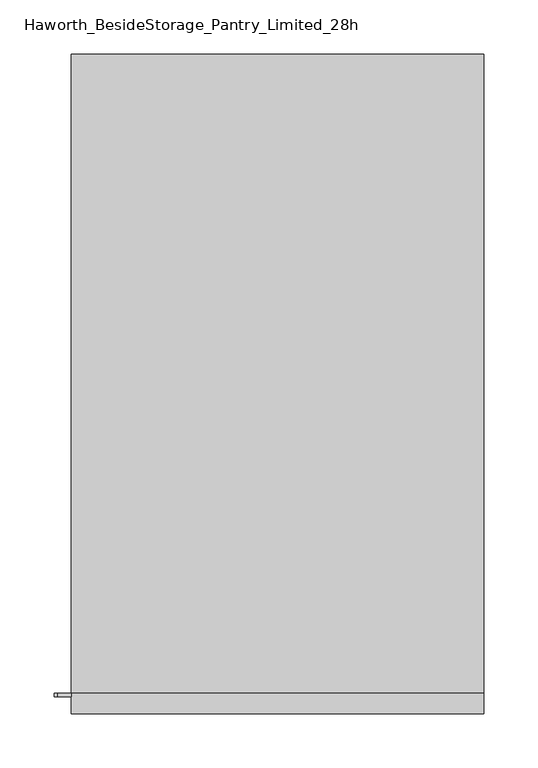
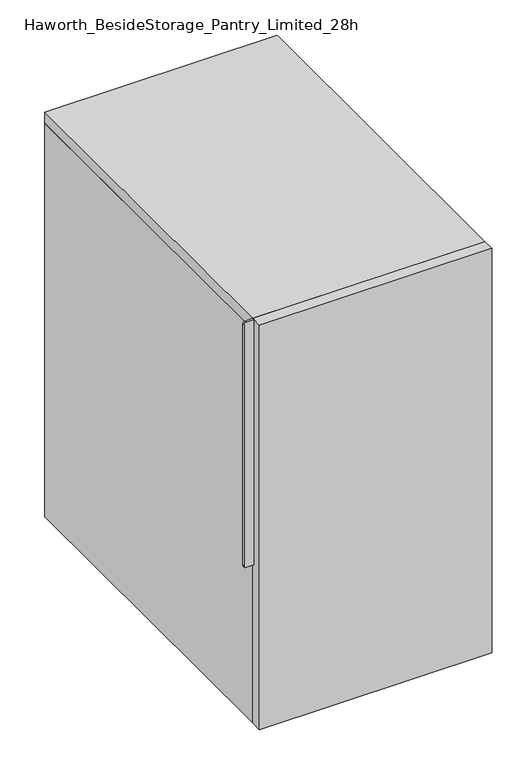
"""IFC4 building model written with IfcOpenShell, lengths in millimetres: furniture geometry, Haworth_BesideStorage_Pantry_Limited_28h."""

import ifcopenshell
import ifcopenshell.guid

model = None  # the IFC model being written
_history = None  # IfcOwnerHistory: only IFC2X3 demands one
_inside = {}  # id of a spatial element -> (the spatial element, [elements in it])
_under = {}  # id of a project, library or spatial element -> (it, [spatial elements below it])
_declared = {}  # id of a project -> (the project, [libraries it declares])
_typed = {}  # id of a type object -> (the type object, [elements of that type])
_made_of = {}  # id of a material, layer set ... -> (it, [elements and type objects made of it])


def new_model(schema):
    """Start an empty IFC model of exactly this schema.

    Asked for "IFC4X3", IfcOpenShell would pick the latest addendum, in which some entities
    have other attributes; the version numbers below select the first issue.
    IFC2X3 requires an IfcOwnerHistory on every rooted entity: one is made here for all.
    """
    global model, _history
    if schema == "IFC4X3":
        model = ifcopenshell.file(schema_version=(4, 3, 0, 0))
    else:
        model = ifcopenshell.file(schema=schema)
    _inside.clear()
    _under.clear()
    _declared.clear()
    _typed.clear()
    _made_of.clear()
    _history = None
    if model.schema == "IFC2X3":
        org = make("IfcOrganization", Name="unknown")
        user = make(
            "IfcPersonAndOrganization",
            ThePerson=make("IfcPerson", FamilyName="unknown"),
            TheOrganization=org,
        )
        app = make(
            "IfcApplication",
            ApplicationDeveloper=org,
            Version="unknown",
            ApplicationFullName="unknown",
            ApplicationIdentifier="unknown",
        )
        _history = make(
            "IfcOwnerHistory",
            OwningUser=user,
            OwningApplication=app,
            ChangeAction="ADDED",
            CreationDate=0,
        )
    return model


def make(cls, **values):
    """One entity of the class cls with the attributes given. An attribute that is None is left unset."""
    return model.create_entity(
        cls, **{name: value for name, value in values.items() if value is not None}
    )


def rooted(cls, **values):
    """An entity with a GlobalId (a new one), such as an element, a storey or a relation."""
    return make(cls, GlobalId=ifcopenshell.guid.new(), OwnerHistory=_history, **values)


def si_unit(unit_type, name, prefix=None):
    """IfcSIUnit, for example si_unit("LENGTHUNIT", "METRE", prefix="MILLI")."""
    return make("IfcSIUnit", UnitType=unit_type, Prefix=prefix, Name=name)


def assignment(units):
    """IfcUnitAssignment: the units of a project."""
    return None if units is None else make("IfcUnitAssignment", Units=units)


def point(xyz):
    """IfcCartesianPoint."""
    return None if xyz is None else make("IfcCartesianPoint", Coordinates=xyz)


def direction(xyz):
    """IfcDirection."""
    return None if xyz is None else make("IfcDirection", DirectionRatios=xyz)


def frame(location, z_axis=None, x_axis=None):
    """IfcAxis2Placement3D, a coordinate frame: its origin and axes. An axis left out is left unset."""
    return make(
        "IfcAxis2Placement3D",
        Location=point(location),
        Axis=direction(z_axis),
        RefDirection=direction(x_axis),
    )


def frame_2d(location, x_axis=None):
    """IfcAxis2Placement2D, a coordinate frame in the plane: its origin and x axis."""
    return make(
        "IfcAxis2Placement2D", Location=point(location), RefDirection=direction(x_axis)
    )


def origin():
    """The frame at (0, 0, 0) with its axes left unset."""
    return frame((0.0, 0.0, 0.0))


def place(relative_to, where):
    """IfcLocalPlacement: puts the frame where relative to a parent placement (None: the world)."""
    return make(
        "IfcLocalPlacement", PlacementRelTo=relative_to, RelativePlacement=where
    )


def context(
    kind, dimensions, precision=None, world=None, true_north=None, identifier=None
):
    """IfcGeometricRepresentationContext, for example the 3D "Model" context."""
    return make(
        "IfcGeometricRepresentationContext",
        ContextIdentifier=identifier,
        ContextType=kind,
        CoordinateSpaceDimension=dimensions,
        Precision=precision,
        WorldCoordinateSystem=world,
        TrueNorth=true_north,
    )


def project(units=None, contexts=None):
    """IfcProject with its units and contexts."""
    return rooted(
        "IfcProject",
        Name="project",
        RepresentationContexts=contexts,
        UnitsInContext=assignment(units),
    )


def spatial(cls, under=None, at=None, **own):
    """A site, building, storey or space (cls), placed at a placement, below another one or the project."""
    s = rooted(cls, ObjectPlacement=at, **own)
    if under is not None:
        _under.setdefault(under.id(), (under, []))[1].append(s)
    return s


def polyline(points):
    """IfcPolyline through the points."""
    return make("IfcPolyline", Points=[point(p) for p in points])


def circle_curve(where, radius):
    """IfcCircle in the frame where."""
    return make("IfcCircle", Position=where, Radius=radius)


def trimmed(basis, trim1, trim2, sense, master):
    """IfcTrimmedCurve: the piece of a basis curve between two trims."""
    return make(
        "IfcTrimmedCurve",
        BasisCurve=basis,
        Trim1=trim1,
        Trim2=trim2,
        SenseAgreement=sense,
        MasterRepresentation=master,
    )


def segment(curve, same_sense, transition):
    """IfcCompositeCurveSegment."""
    return make(
        "IfcCompositeCurveSegment",
        Transition=transition,
        SameSense=same_sense,
        ParentCurve=curve,
    )


def composite_curve(segments, self_intersect=None):
    """IfcCompositeCurve: segments joined end to end."""
    return make("IfcCompositeCurve", Segments=segments, SelfIntersect=self_intersect)


def outline(outer, holes=None, kind="AREA"):
    """IfcArbitraryClosedProfileDef: a profile drawn as a closed curve; with holes, ...WithVoids."""
    if holes is None:
        return make("IfcArbitraryClosedProfileDef", ProfileType=kind, OuterCurve=outer)
    return make(
        "IfcArbitraryProfileDefWithVoids",
        ProfileType=kind,
        OuterCurve=outer,
        InnerCurves=holes,
    )


def extrude(swept, where, along, depth):
    """IfcExtrudedAreaSolid: the profile swept, set in the frame where, extruded along a direction by depth."""
    return make(
        "IfcExtrudedAreaSolid",
        SweptArea=swept,
        Position=where,
        ExtrudedDirection=direction(along),
        Depth=depth,
    )


def shape(context_of_items, identifier, shape_type, items):
    """IfcShapeRepresentation: the items that make up one representation, for example the "Body"."""
    return make(
        "IfcShapeRepresentation",
        ContextOfItems=context_of_items,
        RepresentationIdentifier=identifier,
        RepresentationType=shape_type,
        Items=items,
    )


def source(mapping_origin, context_of_items, identifier, shape_type, items):
    """IfcRepresentationMap: a shape defined once, which mapped items show again and again."""
    return make(
        "IfcRepresentationMap",
        MappingOrigin=mapping_origin,
        MappedRepresentation=shape(context_of_items, identifier, shape_type, items),
    )


def transform(
    local_origin,
    x_axis=None,
    y_axis=None,
    z_axis=None,
    scale=None,
    scale2=None,
    scale3=None,
    uniform=True,
):
    """IfcCartesianTransformationOperator3D, or its non-uniform kind. x_axis, y_axis, z_axis: its Axis1, 2, 3."""
    if uniform:
        return make(
            "IfcCartesianTransformationOperator3D",
            Axis1=direction(x_axis),
            Axis2=direction(y_axis),
            LocalOrigin=point(local_origin),
            Scale=scale,
            Axis3=direction(z_axis),
        )
    return make(
        "IfcCartesianTransformationOperator3DnonUniform",
        Axis1=direction(x_axis),
        Axis2=direction(y_axis),
        LocalOrigin=point(local_origin),
        Scale=scale,
        Axis3=direction(z_axis),
        Scale2=scale2,
        Scale3=scale3,
    )


def mapped(mapping_source, mapping_target):
    """IfcMappedItem: shows the shape of a source again, moved by a transform."""
    return make(
        "IfcMappedItem", MappingSource=mapping_source, MappingTarget=mapping_target
    )


def made_of(thing, what):
    """Note that an element or type object is made of a material, layer set ...; save() writes the relation."""
    if what is not None:
        _made_of.setdefault(what.id(), (what, []))[1].append(thing)
    return thing


def element(
    cls,
    number,
    at=None,
    inside=None,
    cuts=None,
    type_object=None,
    material=None,
    context=None,
    identifier="Body",
    shape_type=None,
    held_by="IfcProductDefinitionShape",
    body=None,
    shapes=None,
    **own,
):
    """One element of the class cls, such as IfcWall. Its Tag is "e" and its number.

    at: its placement. inside: the storey or other place that contains it. cuts: it is an
    opening in that element (IfcRelVoidsElement). A single representation is given by context,
    identifier, shape_type and body (its items); several are given by shapes. held_by: the class
    of the entity that holds the representations. save() writes the other relations.
    """
    e = rooted(cls, Tag="e%d" % number, ObjectPlacement=at, **own)
    if body is not None:
        shapes = [shape(context, identifier, shape_type, body)]
    if shapes is not None:
        e.Representation = make(held_by, Representations=shapes)
    if inside is not None:
        _inside.setdefault(inside.id(), (inside, []))[1].append(e)
    if cuts is not None:
        rooted(
            "IfcRelVoidsElement", RelatingBuildingElement=cuts, RelatedOpeningElement=e
        )
    if type_object is not None:
        _typed.setdefault(type_object.id(), (type_object, []))[1].append(e)
    return made_of(e, material)


def aggregate(whole, parts):
    """IfcRelAggregates: a whole, such as a stair, and the parts it consists of."""
    return rooted("IfcRelAggregates", RelatingObject=whole, RelatedObjects=parts)


def save(model, path):
    """Write the relations noted so far, then the file.

    IfcRelAggregates (storeys below a building ...), IfcRelContainedInSpatialStructure (elements
    in a storey), IfcRelDefinesByType, IfcRelAssociatesMaterial and IfcRelDeclares: one each for
    every whole, place, type object, material and project.
    """
    for whole, parts in _under.values():
        aggregate(whole, parts)
    for where, things in _inside.values():
        rooted(
            "IfcRelContainedInSpatialStructure",
            RelatedElements=things,
            RelatingStructure=where,
        )
    for kind, things in _typed.values():
        rooted("IfcRelDefinesByType", RelatedObjects=things, RelatingType=kind)
    for what, things in _made_of.values():
        rooted("IfcRelAssociatesMaterial", RelatedObjects=things, RelatingMaterial=what)
    for by, libraries in _declared.values():
        rooted("IfcRelDeclares", RelatingContext=by, RelatedDefinitions=libraries)
    model.write(path)


def haworth_besidestorage_pantry_limited_28h_b04dc714(model_context):
    return source(origin(), model_context, "Body", "SweptSolid", [
        extrude(outline(composite_curve([segment(polyline([(711.2, -190.5), (711.2, -203.2)]), True, "CONTINUOUS"), segment(trimmed(circle_curve(frame_2d((708.025, -203.2)), 3.175), [point((711.2, -203.2))], [point((708.025, -206.375))], False, "CARTESIAN"), True, "CONTINUOUS"), segment(polyline([(708.025, -206.375), (288.925, -206.375)]), True, "CONTINUOUS"), segment(trimmed(circle_curve(frame_2d((288.925, -203.2)), 3.175), [point((288.925, -206.375))], [point((285.75, -203.2))], False, "CARTESIAN"), True, "CONTINUOUS"), segment(polyline([(285.75, -203.2), (285.75, -190.5), (711.2, -190.5)]), True, "CONTINUOUS")], self_intersect=False)), frame((0.0, -784.225, 0.0), z_axis=(0.0, 1.0, 0.0), x_axis=(0.0, 0.0, 1.0)), (0.0, 0.0, 1.0), 3.175),
        extrude(outline(polyline([(190.5, -800.1), (-190.5, -800.1), (-190.5, -781.05), (190.5, -781.05), (190.5, -800.1)])), frame((0.0, 0.0, 9.525), z_axis=(0.0, 0.0, 1.0), x_axis=(1.0, 0.0, 0.0)), (0.0, 0.0, 1.0), 701.675),
        extrude(outline(polyline([(190.5, -190.5), (190.5, -781.05), (-190.5, -781.05), (-190.5, -190.5), (190.5, -190.5)])), frame((0.0, 0.0, 692.15), z_axis=(0.0, 0.0, 1.0), x_axis=(1.0, 0.0, 0.0)), (0.0, 0.0, 1.0), 19.05),
        extrude(outline(polyline([(171.45, -209.55), (171.45, -781.05), (-171.45, -781.05), (-171.45, -209.55), (171.45, -209.55)])), frame((0.0, 0.0, 9.525), z_axis=(0.0, 0.0, 1.0), x_axis=(1.0, 0.0, 0.0)), (0.0, 0.0, 1.0), 19.05),
        extrude(outline(polyline([(190.5, -190.5), (190.5, -781.05), (171.45, -781.05), (171.45, -209.55), (-171.45, -209.55), (-171.45, -781.05), (-190.5, -781.05), (-190.5, -190.5), (190.5, -190.5)])), frame((0.0, 0.0, 9.525), z_axis=(0.0, 0.0, 1.0), x_axis=(1.0, 0.0, 0.0)), (0.0, 0.0, 1.0), 682.625),
    ])


if __name__ == "__main__":
    model = new_model("IFC4")
    model_context = context("Model", 3, world=origin())
    ifc_project = project(units=[si_unit("LENGTHUNIT", "METRE", prefix="MILLI")], contexts=[model_context])
    site = spatial("IfcSite", under=ifc_project)
    building = spatial("IfcBuilding", under=site)
    placement = place(None, origin())
    haworth_besidestorage_pantry_limited_28h_shape = haworth_besidestorage_pantry_limited_28h_b04dc714(model_context)
    element("IfcFurniture", 1, ObjectType="Haworth_BesideStorage_Pantry_Limited_28h", at=placement, inside=building, context=model_context, shape_type="MappedRepresentation", body=[
        mapped(haworth_besidestorage_pantry_limited_28h_shape, transform((0.0, 0.0, 0.0), x_axis=(1.0, 0.0, 0.0), y_axis=(0.0, 1.0, 0.0), z_axis=(0.0, 0.0, 1.0))),
    ])
    save(model, "model.ifc")
